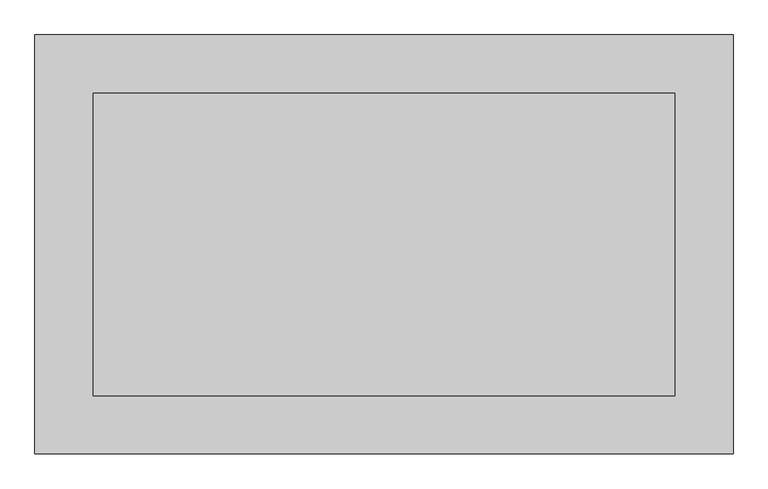
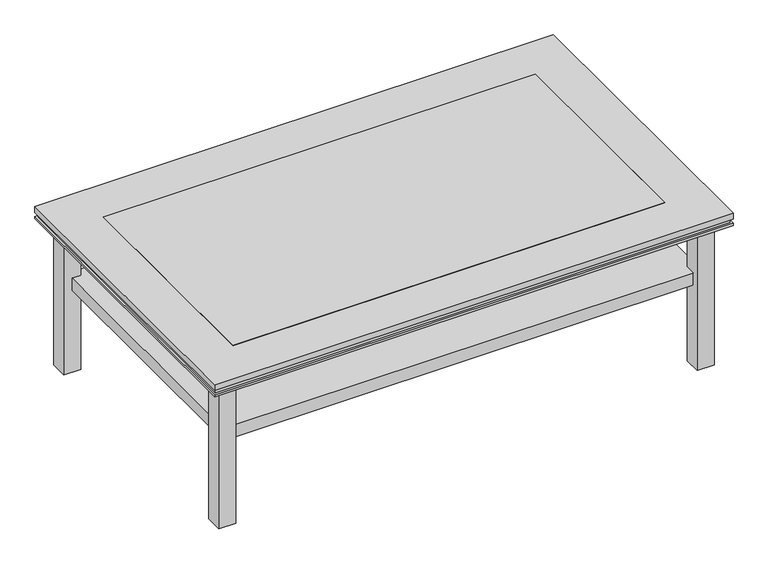
"""IFC4 building model written with IfcOpenShell, lengths in millimetres: furniture geometry."""

from ifc_helpers import new_model, si_unit, frame, origin, origin_with_axes, place, context, project, spatial, polyline, outline, extrude, faceted_brep, source, transform, mapped, element, save


def furniture_90c61116(model_context):
    return source(origin(), model_context, "Body", "SolidModel", [
        extrude(outline(polyline([(499.976, -260.0), (-499.976, -260.0), (-499.976, 260.0), (499.976, 260.0), (499.976, -260.0)])), frame((0.0, 0.0, 370.0), z_axis=(0.0, 0.0, 1.0), x_axis=(1.0, 0.0, 0.0)), (0.0, 0.0, 1.0), 10.0),
        faceted_brep([(599.976, 360.0, 380.0), (-599.976, 360.0, 380.0), (-599.976, -360.0, 380.0), (599.976, -360.0, 380.0), (499.976, -260.0, 380.0), (-499.976, -260.0, 380.0), (-499.976, 260.0, 380.0), (499.976, 260.0, 380.0), (599.976, 360.0, 350.0), (599.976, -360.0, 350.0), (-599.976, -360.0, 350.0), (-599.976, 360.0, 350.0), (-499.976, -260.0, 350.0), (499.976, -260.0, 350.0), (499.976, 260.0, 350.0), (-499.976, 260.0, 350.0), (599.976, 360.0, 365.6097539), (-599.976, 360.0, 365.6097539), (-599.976, 360.0, 355.6097539), (599.976, 360.0, 355.6097539), (-599.976, -360.0, 365.6097539), (-599.976, -360.0, 355.6097539), (599.976, -360.0, 365.6097539), (599.976, -360.0, 355.6097539), (-594.976, 355.0, 355.6097539), (-594.976, -355.0, 355.6097539), (-594.976, -355.0, 365.6097539), (-594.976, 355.0, 365.6097539), (594.976, -355.0, 355.6097539), (594.976, -355.0, 365.6097539), (594.976, 355.0, 355.6097539), (594.976, 355.0, 365.6097539)], [[[0, 1, 2, 3], [4, 5, 6, 7]], [[8, 9, 10, 11], [12, 13, 14, 15]], [[1, 0, 16, 17]], [[8, 11, 18, 19]], [[2, 1, 17, 20]], [[11, 10, 21, 18]], [[3, 2, 20, 22]], [[10, 9, 23, 21]], [[0, 3, 22, 16]], [[9, 8, 19, 23]], [[4, 13, 12, 5]], [[5, 12, 15, 6]], [[6, 15, 14, 7]], [[13, 4, 7, 14]], [[24, 25, 26, 27]], [[26, 25, 28, 29]], [[29, 28, 30, 31]], [[24, 27, 31, 30]], [[19, 18, 21, 23], [25, 24, 30, 28]], [[17, 16, 22, 20], [27, 26, 29, 31]]]),
        extrude(outline(polyline([(533.5144455, 310.0), (533.5144455, 290.7721231), (553.5144455, 290.7721231), (553.5144455, -290.7721231), (533.5144455, -290.7721231), (533.5144455, -315.0), (-533.5144455, -315.0), (-533.5144455, -290.7721231), (-553.5144455, -290.7721231), (-553.5144455, 290.7721231), (-533.5144455, 290.7721231), (-533.5144455, 310.0), (533.5144455, 310.0)])), frame((0.0, 0.0, 200.0), z_axis=(0.0, 0.0, 1.0), x_axis=(1.0, 0.0, 0.0)), (0.0, 0.0, 1.0), 30.0),
        extrude(outline(polyline([(533.5144455, 330.7721231), (573.5144455, 330.7721231), (573.5144455, 290.7721231), (533.5144455, 290.7721231), (533.5144455, 330.7721231)])), origin_with_axes(), (0.0, 0.0, 1.0), 350.0),
        extrude(outline(polyline([(-533.5144455, 330.7721231), (-533.5144455, 290.7721231), (-573.5144455, 290.7721231), (-573.5144455, 330.7721231), (-533.5144455, 330.7721231)])), origin_with_axes(), (0.0, 0.0, 1.0), 350.0),
        extrude(outline(polyline([(533.5144455, -330.7721231), (533.5144455, -290.7721231), (573.5144455, -290.7721231), (573.5144455, -330.7721231), (533.5144455, -330.7721231)])), origin_with_axes(), (0.0, 0.0, 1.0), 350.0),
        extrude(outline(polyline([(-533.5144455, -330.7721231), (-573.5144455, -330.7721231), (-573.5144455, -290.7721231), (-533.5144455, -290.7721231), (-533.5144455, -330.7721231)])), origin_with_axes(), (0.0, 0.0, 1.0), 350.0),
    ])


if __name__ == "__main__":
    model = new_model("IFC4")
    model_context = context("Model", 3, world=origin())
    ifc_project = project(units=[si_unit("LENGTHUNIT", "METRE", prefix="MILLI")], contexts=[model_context])
    site = spatial("IfcSite", under=ifc_project)
    building = spatial("IfcBuilding", under=site)
    placement = place(None, origin())
    furniture_shape = furniture_90c61116(model_context)
    element("IfcFurniture", 1, at=placement, inside=building, context=model_context, shape_type="MappedRepresentation", body=[
        mapped(furniture_shape, transform((0.0, 0.0, 0.0), x_axis=(1.0, 0.0, 0.0), y_axis=(0.0, 1.0, 0.0), z_axis=(0.0, 0.0, 1.0))),
    ])
    save(model, "model.ifc")
